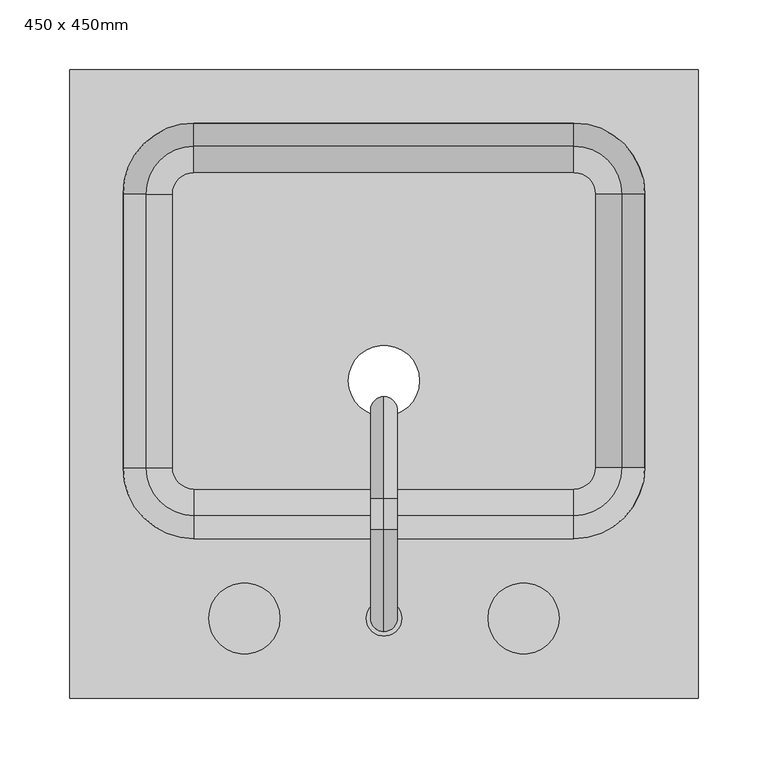
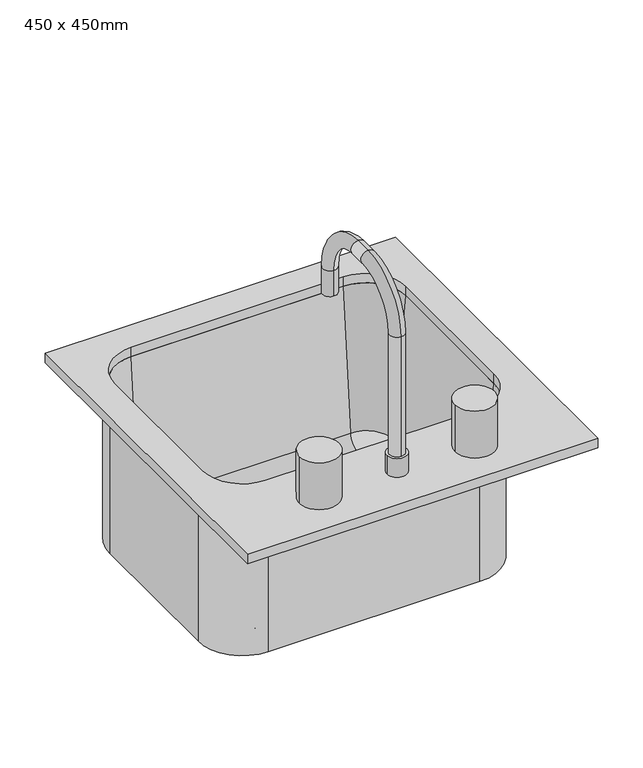
"""IFC4 building model written with IfcOpenShell, lengths in millimetres: flow terminal geometry, 450 x 450mm."""

import ifcopenshell
import ifcopenshell.guid

model = None  # the IFC model being written
_history = None  # IfcOwnerHistory: only IFC2X3 demands one
_inside = {}  # id of a spatial element -> (the spatial element, [elements in it])
_under = {}  # id of a project, library or spatial element -> (it, [spatial elements below it])
_declared = {}  # id of a project -> (the project, [libraries it declares])
_typed = {}  # id of a type object -> (the type object, [elements of that type])
_made_of = {}  # id of a material, layer set ... -> (it, [elements and type objects made of it])


def new_model(schema):
    """Start an empty IFC model of exactly this schema.

    Asked for "IFC4X3", IfcOpenShell would pick the latest addendum, in which some entities
    have other attributes; the version numbers below select the first issue.
    IFC2X3 requires an IfcOwnerHistory on every rooted entity: one is made here for all.
    """
    global model, _history
    if schema == "IFC4X3":
        model = ifcopenshell.file(schema_version=(4, 3, 0, 0))
    else:
        model = ifcopenshell.file(schema=schema)
    _inside.clear()
    _under.clear()
    _declared.clear()
    _typed.clear()
    _made_of.clear()
    _history = None
    if model.schema == "IFC2X3":
        org = make("IfcOrganization", Name="unknown")
        user = make(
            "IfcPersonAndOrganization",
            ThePerson=make("IfcPerson", FamilyName="unknown"),
            TheOrganization=org,
        )
        app = make(
            "IfcApplication",
            ApplicationDeveloper=org,
            Version="unknown",
            ApplicationFullName="unknown",
            ApplicationIdentifier="unknown",
        )
        _history = make(
            "IfcOwnerHistory",
            OwningUser=user,
            OwningApplication=app,
            ChangeAction="ADDED",
            CreationDate=0,
        )
    return model


def make(cls, **values):
    """One entity of the class cls with the attributes given. An attribute that is None is left unset."""
    return model.create_entity(
        cls, **{name: value for name, value in values.items() if value is not None}
    )


def rooted(cls, **values):
    """An entity with a GlobalId (a new one), such as an element, a storey or a relation."""
    return make(cls, GlobalId=ifcopenshell.guid.new(), OwnerHistory=_history, **values)


def si_unit(unit_type, name, prefix=None):
    """IfcSIUnit, for example si_unit("LENGTHUNIT", "METRE", prefix="MILLI")."""
    return make("IfcSIUnit", UnitType=unit_type, Prefix=prefix, Name=name)


def assignment(units):
    """IfcUnitAssignment: the units of a project."""
    return None if units is None else make("IfcUnitAssignment", Units=units)


def point(xyz):
    """IfcCartesianPoint."""
    return None if xyz is None else make("IfcCartesianPoint", Coordinates=xyz)


def direction(xyz):
    """IfcDirection."""
    return None if xyz is None else make("IfcDirection", DirectionRatios=xyz)


def frame(location, z_axis=None, x_axis=None):
    """IfcAxis2Placement3D, a coordinate frame: its origin and axes. An axis left out is left unset."""
    return make(
        "IfcAxis2Placement3D",
        Location=point(location),
        Axis=direction(z_axis),
        RefDirection=direction(x_axis),
    )


def frame_2d(location, x_axis=None):
    """IfcAxis2Placement2D, a coordinate frame in the plane: its origin and x axis."""
    return make(
        "IfcAxis2Placement2D", Location=point(location), RefDirection=direction(x_axis)
    )


def origin():
    """The frame at (0, 0, 0) with its axes left unset."""
    return frame((0.0, 0.0, 0.0))


def place(relative_to, where):
    """IfcLocalPlacement: puts the frame where relative to a parent placement (None: the world)."""
    return make(
        "IfcLocalPlacement", PlacementRelTo=relative_to, RelativePlacement=where
    )


def context(
    kind, dimensions, precision=None, world=None, true_north=None, identifier=None
):
    """IfcGeometricRepresentationContext, for example the 3D "Model" context."""
    return make(
        "IfcGeometricRepresentationContext",
        ContextIdentifier=identifier,
        ContextType=kind,
        CoordinateSpaceDimension=dimensions,
        Precision=precision,
        WorldCoordinateSystem=world,
        TrueNorth=true_north,
    )


def project(units=None, contexts=None):
    """IfcProject with its units and contexts."""
    return rooted(
        "IfcProject",
        Name="project",
        RepresentationContexts=contexts,
        UnitsInContext=assignment(units),
    )


def spatial(cls, under=None, at=None, **own):
    """A site, building, storey or space (cls), placed at a placement, below another one or the project."""
    s = rooted(cls, ObjectPlacement=at, **own)
    if under is not None:
        _under.setdefault(under.id(), (under, []))[1].append(s)
    return s


def polyline(points):
    """IfcPolyline through the points."""
    return make("IfcPolyline", Points=[point(p) for p in points])


def circle_curve(where, radius):
    """IfcCircle in the frame where."""
    return make("IfcCircle", Position=where, Radius=radius)


def ellipse_curve(where, semi_axis1, semi_axis2):
    """IfcEllipse in the frame where."""
    return make(
        "IfcEllipse", Position=where, SemiAxis1=semi_axis1, SemiAxis2=semi_axis2
    )


def trimmed(basis, trim1, trim2, sense, master):
    """IfcTrimmedCurve: the piece of a basis curve between two trims."""
    return make(
        "IfcTrimmedCurve",
        BasisCurve=basis,
        Trim1=trim1,
        Trim2=trim2,
        SenseAgreement=sense,
        MasterRepresentation=master,
    )


def segment(curve, same_sense, transition):
    """IfcCompositeCurveSegment."""
    return make(
        "IfcCompositeCurveSegment",
        Transition=transition,
        SameSense=same_sense,
        ParentCurve=curve,
    )


def composite_curve(segments, self_intersect=None):
    """IfcCompositeCurve: segments joined end to end."""
    return make("IfcCompositeCurve", Segments=segments, SelfIntersect=self_intersect)


def outline(outer, holes=None, kind="AREA"):
    """IfcArbitraryClosedProfileDef: a profile drawn as a closed curve; with holes, ...WithVoids."""
    if holes is None:
        return make("IfcArbitraryClosedProfileDef", ProfileType=kind, OuterCurve=outer)
    return make(
        "IfcArbitraryProfileDefWithVoids",
        ProfileType=kind,
        OuterCurve=outer,
        InnerCurves=holes,
    )


def extrude(swept, where, along, depth):
    """IfcExtrudedAreaSolid: the profile swept, set in the frame where, extruded along a direction by depth."""
    return make(
        "IfcExtrudedAreaSolid",
        SweptArea=swept,
        Position=where,
        ExtrudedDirection=direction(along),
        Depth=depth,
    )


def shape(context_of_items, identifier, shape_type, items):
    """IfcShapeRepresentation: the items that make up one representation, for example the "Body"."""
    return make(
        "IfcShapeRepresentation",
        ContextOfItems=context_of_items,
        RepresentationIdentifier=identifier,
        RepresentationType=shape_type,
        Items=items,
    )


def source(mapping_origin, context_of_items, identifier, shape_type, items):
    """IfcRepresentationMap: a shape defined once, which mapped items show again and again."""
    return make(
        "IfcRepresentationMap",
        MappingOrigin=mapping_origin,
        MappedRepresentation=shape(context_of_items, identifier, shape_type, items),
    )


def transform(
    local_origin,
    x_axis=None,
    y_axis=None,
    z_axis=None,
    scale=None,
    scale2=None,
    scale3=None,
    uniform=True,
):
    """IfcCartesianTransformationOperator3D, or its non-uniform kind. x_axis, y_axis, z_axis: its Axis1, 2, 3."""
    if uniform:
        return make(
            "IfcCartesianTransformationOperator3D",
            Axis1=direction(x_axis),
            Axis2=direction(y_axis),
            LocalOrigin=point(local_origin),
            Scale=scale,
            Axis3=direction(z_axis),
        )
    return make(
        "IfcCartesianTransformationOperator3DnonUniform",
        Axis1=direction(x_axis),
        Axis2=direction(y_axis),
        LocalOrigin=point(local_origin),
        Scale=scale,
        Axis3=direction(z_axis),
        Scale2=scale2,
        Scale3=scale3,
    )


def mapped(mapping_source, mapping_target):
    """IfcMappedItem: shows the shape of a source again, moved by a transform."""
    return make(
        "IfcMappedItem", MappingSource=mapping_source, MappingTarget=mapping_target
    )


def made_of(thing, what):
    """Note that an element or type object is made of a material, layer set ...; save() writes the relation."""
    if what is not None:
        _made_of.setdefault(what.id(), (what, []))[1].append(thing)
    return thing


def element(
    cls,
    number,
    at=None,
    inside=None,
    cuts=None,
    type_object=None,
    material=None,
    context=None,
    identifier="Body",
    shape_type=None,
    held_by="IfcProductDefinitionShape",
    body=None,
    shapes=None,
    **own,
):
    """One element of the class cls, such as IfcWall. Its Tag is "e" and its number.

    at: its placement. inside: the storey or other place that contains it. cuts: it is an
    opening in that element (IfcRelVoidsElement). A single representation is given by context,
    identifier, shape_type and body (its items); several are given by shapes. held_by: the class
    of the entity that holds the representations. save() writes the other relations.
    """
    e = rooted(cls, Tag="e%d" % number, ObjectPlacement=at, **own)
    if body is not None:
        shapes = [shape(context, identifier, shape_type, body)]
    if shapes is not None:
        e.Representation = make(held_by, Representations=shapes)
    if inside is not None:
        _inside.setdefault(inside.id(), (inside, []))[1].append(e)
    if cuts is not None:
        rooted(
            "IfcRelVoidsElement", RelatingBuildingElement=cuts, RelatedOpeningElement=e
        )
    if type_object is not None:
        _typed.setdefault(type_object.id(), (type_object, []))[1].append(e)
    return made_of(e, material)


def aggregate(whole, parts):
    """IfcRelAggregates: a whole, such as a stair, and the parts it consists of."""
    return rooted("IfcRelAggregates", RelatingObject=whole, RelatedObjects=parts)


def save(model, path):
    """Write the relations noted so far, then the file.

    IfcRelAggregates (storeys below a building ...), IfcRelContainedInSpatialStructure (elements
    in a storey), IfcRelDefinesByType, IfcRelAssociatesMaterial and IfcRelDeclares: one each for
    every whole, place, type object, material and project.
    """
    for whole, parts in _under.values():
        aggregate(whole, parts)
    for where, things in _inside.values():
        rooted(
            "IfcRelContainedInSpatialStructure",
            RelatedElements=things,
            RelatingStructure=where,
        )
    for kind, things in _typed.values():
        rooted("IfcRelDefinesByType", RelatedObjects=things, RelatingType=kind)
    for what, things in _made_of.values():
        rooted("IfcRelAssociatesMaterial", RelatedObjects=things, RelatingMaterial=what)
    for by, libraries in _declared.values():
        rooted("IfcRelDeclares", RelatingContext=by, RelatedDefinitions=libraries)
    model.write(path)


def plane_surface(at):
    """IfcPlane: the flat surface through the origin of the frame at, square to its z axis."""
    return make("IfcPlane", Position=at)


def cylinder_surface(at, radius):
    """IfcCylindricalSurface: all points at the distance radius from the z axis of the frame at."""
    return make("IfcCylindricalSurface", Position=at, Radius=radius)


def revolved_surface(curve, axis_point, axis_direction):
    """IfcSurfaceOfRevolution: the curve turned about the line through axis_point along axis_direction."""
    return make(
        "IfcSurfaceOfRevolution",
        SweptCurve=make("IfcArbitraryOpenProfileDef", ProfileType="CURVE", Curve=curve),
        AxisPosition=make("IfcAxis1Placement", Location=point(axis_point), Axis=direction(axis_direction)),
    )


def advanced_brep(points, edges, surfaces, faces):
    """IfcAdvancedBrep: a solid bounded by faces that lie on surfaces and meet in shared edges.

    An edge is (start, end): straight between two places in points (the first is 0);
    or (start, end, curve); or (start, end, curve, False) where it runs against its curve.
    A face is (place in surfaces, loops), or (place, loops, False) where it looks against
    its surface's normal. A loop lists edges by number (the first is 1), with a minus sign
    where the edge is run from its end to its start. The first loop is the outer one.
    """
    corners = [point(p) for p in points]
    vertices = [make("IfcVertexPoint", VertexGeometry=c) for c in corners]
    made = []
    for start, end, *more in edges:
        made.append(
            make(
                "IfcEdgeCurve",
                EdgeStart=vertices[start],
                EdgeEnd=vertices[end],
                EdgeGeometry=more[0] if more else make("IfcPolyline", Points=[corners[start], corners[end]]),
                SameSense=more[1] if len(more) > 1 else True,
            )
        )
    hull = []
    for where, loops, *sense in faces:
        bounds = []
        for j, loop in enumerate(loops):
            ring = [make("IfcOrientedEdge", EdgeElement=made[abs(k) - 1], Orientation=k > 0) for k in loop]
            bounds.append(
                make(
                    "IfcFaceOuterBound" if j == 0 else "IfcFaceBound",
                    Bound=make("IfcEdgeLoop", EdgeList=ring),
                    Orientation=True,
                )
            )
        hull.append(make("IfcAdvancedFace", Bounds=bounds, FaceSurface=surfaces[where], SameSense=sense[0] if sense else True))
    return make("IfcAdvancedBrep", Outer=make("IfcClosedShell", CfsFaces=hull))


def flow_terminal_450_x_450mm_f6c2c534(model_context):
    return source(origin(), model_context, "Body", "SolidModel", [
        advanced_brep(
        [(208.9392406, -62.2454011, 684.1), (208.9392406, -62.2454011, 900.0), (151.7892406, -119.3954011, 900.0), (151.7892406, -119.3954011, 684.1), (-120.4107594, -119.3954011, 684.1), (-177.5607594, -62.2454011, 684.1), (-177.5607594, 133.7545989, 684.1), (-120.4107594, 190.9045989, 684.1), (151.7892406, 190.9045989, 684.1), (208.9392406, 133.7545989, 684.1), (-9.7107594, 0.0, 684.1), (41.0892406, 0.0, 684.1), (167.0776588, -62.2454011, 693.625), (167.0776588, 133.7545989, 693.625), (151.7892406, 149.0430171, 693.625), (-120.4107594, 149.0430171, 693.625), (-135.6991776, 133.7545989, 693.625), (-135.6991776, -62.2454011, 693.625), (-120.4107594, -77.5338193, 693.625), (151.7892406, -77.5338193, 693.625), (-9.7107594, 0.0, 693.625), (41.0892406, 0.0, 693.625), (151.7892406, -96.5113283, 711.0146831), (186.0551678, -62.2454011, 711.0146831), (151.7892406, -113.0454011, 900.0), (202.5892406, -62.2454011, 900.0), (208.9392406, 133.7545989, 900.0), (186.0551678, 133.7545989, 711.0146831), (202.5892406, 133.7545989, 900.0), (151.7892406, 190.9045989, 900.0), (151.7892406, 168.0205261, 711.0146831), (151.7892406, 184.5545989, 900.0), (-120.4107594, 190.9045989, 900.0), (-120.4107594, 168.0205261, 711.0146831), (-120.4107594, 184.5545989, 900.0), (-177.5607594, 133.7545989, 900.0), (-154.6766866, 133.7545989, 711.0146831), (-171.2107594, 133.7545989, 900.0), (-177.5607594, -62.2454011, 900.0), (-154.6766866, -62.2454011, 711.0146831), (-171.2107594, -62.2454011, 900.0), (-120.4107594, -119.3954011, 900.0), (-120.4107594, -96.5113283, 711.0146831), (-120.4107594, -113.0454011, 900.0)],
        [
            (0, 1),
            (1, 2, circle_curve(frame((151.7892406, -62.2454011, 900.0), z_axis=(0.0, 0.0, -1.0), x_axis=(0.0, -1.0, 0.0)), 57.15)),
            (2, 3),
            (3, 0, circle_curve(frame((151.7892406, -62.2454011, 684.1), z_axis=(0.0, 0.0, 1.0), x_axis=(0.0, -1.0, 0.0)), 57.15)),
            (3, 4),
            (4, 5, circle_curve(frame((-120.4107594, -62.2454011, 684.1), z_axis=(0.0, 0.0, -1.0), x_axis=(-1.0, 0.0, 0.0)), 57.15)),
            (5, 6),
            (6, 7, circle_curve(frame((-120.4107594, 133.7545989, 684.1), z_axis=(0.0, 0.0, -1.0), x_axis=(0.0, 1.0, 0.0)), 57.15)),
            (7, 8),
            (8, 9, circle_curve(frame((151.7892406, 133.7545989, 684.1), z_axis=(0.0, 0.0, -1.0), x_axis=(1.0, 0.0, 0.0)), 57.15)),
            (9, 0),
            (10, 11, circle_curve(frame((15.6892406, 0.0, 684.1), z_axis=(0.0, 0.0, 1.0), x_axis=(1.0, 0.0, 0.0)), 25.4)),
            (11, 10, circle_curve(frame((15.6892406, 0.0, 684.1), z_axis=(0.0, 0.0, 1.0), x_axis=(1.0, 0.0, 0.0)), 25.4)),
            (12, 13),
            (13, 14, circle_curve(frame((151.7892406, 133.7545989, 693.625), z_axis=(0.0, 0.0, 1.0), x_axis=(1.0, 0.0, 0.0)), 15.2884182)),
            (14, 15),
            (15, 16, circle_curve(frame((-120.4107594, 133.7545989, 693.625), z_axis=(0.0, 0.0, 1.0), x_axis=(0.0, 1.0, 0.0)), 15.2884182)),
            (16, 17),
            (17, 18, circle_curve(frame((-120.4107594, -62.2454011, 693.625), z_axis=(0.0, 0.0, 1.0), x_axis=(-1.0, 0.0, 0.0)), 15.2884182)),
            (18, 19),
            (19, 12, circle_curve(frame((151.7892406, -62.2454011, 693.625), z_axis=(0.0, 0.0, 1.0), x_axis=(0.0, -1.0, 0.0)), 15.2884182)),
            (20, 21, circle_curve(frame((15.6892406, 0.0, 693.625), z_axis=(0.0, 0.0, -1.0), x_axis=(1.0, 0.0, 0.0)), 25.4)),
            (21, 20, circle_curve(frame((15.6892406, 0.0, 693.625), z_axis=(0.0, 0.0, -1.0), x_axis=(1.0, 0.0, 0.0)), 25.4)),
            (19, 22, circle_curve(frame((151.7892406, -77.5338193, 712.675), z_axis=(-1.0, 0.0, 0.0), x_axis=(0.0, -1.0, 0.0)), 19.05)),
            (22, 23, circle_curve(frame((151.7892406, -62.2454011, 711.0146831), z_axis=(0.0, 0.0, 1.0), x_axis=(0.0, -1.0, 0.0)), 34.2659272)),
            (23, 12, circle_curve(frame((167.0776588, -62.2454011, 712.675), z_axis=(0.0, 1.0, 0.0), x_axis=(1.0, 0.0, 0.0)), 19.05)),
            (22, 24),
            (24, 25, circle_curve(frame((151.7892406, -62.2454011, 900.0), z_axis=(0.0, 0.0, 1.0), x_axis=(0.0, -1.0, 0.0)), 50.8)),
            (25, 23),
            (1, 25),
            (24, 2),
            (9, 26),
            (26, 1),
            (23, 27),
            (27, 13, circle_curve(frame((167.0776588, 133.7545989, 712.675), z_axis=(0.0, 1.0, 0.0), x_axis=(1.0, 0.0, 0.0)), 19.05)),
            (25, 28),
            (28, 27),
            (26, 28),
            (8, 29),
            (29, 26, circle_curve(frame((151.7892406, 133.7545989, 900.0), z_axis=(0.0, 0.0, -1.0), x_axis=(1.0, 0.0, 0.0)), 57.15)),
            (27, 30, circle_curve(frame((151.7892406, 133.7545989, 711.0146831), z_axis=(0.0, 0.0, 1.0), x_axis=(1.0, 0.0, 0.0)), 34.2659272)),
            (30, 14, circle_curve(frame((151.7892406, 149.0430171, 712.675), z_axis=(-1.0, 0.0, 0.0), x_axis=(0.0, 1.0, 0.0)), 19.05)),
            (28, 31, circle_curve(frame((151.7892406, 133.7545989, 900.0), z_axis=(0.0, 0.0, 1.0), x_axis=(1.0, 0.0, 0.0)), 50.8)),
            (31, 30),
            (29, 31),
            (7, 32),
            (32, 29),
            (30, 33),
            (33, 15, circle_curve(frame((-120.4107594, 149.0430171, 712.675), z_axis=(-1.0, 0.0, 0.0), x_axis=(0.0, 1.0, 0.0)), 19.05)),
            (31, 34),
            (34, 33),
            (32, 34),
            (6, 35),
            (35, 32, circle_curve(frame((-120.4107594, 133.7545989, 900.0), z_axis=(0.0, 0.0, -1.0), x_axis=(0.0, 1.0, 0.0)), 57.15)),
            (33, 36, circle_curve(frame((-120.4107594, 133.7545989, 711.0146831), z_axis=(0.0, 0.0, 1.0), x_axis=(0.0, 1.0, 0.0)), 34.2659272)),
            (36, 16, circle_curve(frame((-135.6991776, 133.7545989, 712.675), z_axis=(0.0, -1.0, 0.0), x_axis=(-1.0, 0.0, 0.0)), 19.05)),
            (34, 37, circle_curve(frame((-120.4107594, 133.7545989, 900.0), z_axis=(0.0, 0.0, 1.0), x_axis=(0.0, 1.0, 0.0)), 50.8)),
            (37, 36),
            (35, 37),
            (5, 38),
            (38, 35),
            (36, 39),
            (39, 17, circle_curve(frame((-135.6991776, -62.2454011, 712.675), z_axis=(0.0, -1.0, 0.0), x_axis=(-1.0, 0.0, 0.0)), 19.05)),
            (37, 40),
            (40, 39),
            (38, 40),
            (4, 41),
            (41, 38, circle_curve(frame((-120.4107594, -62.2454011, 900.0), z_axis=(0.0, 0.0, -1.0), x_axis=(-1.0, 0.0, 0.0)), 57.15)),
            (39, 42, circle_curve(frame((-120.4107594, -62.2454011, 711.0146831), z_axis=(0.0, 0.0, 1.0), x_axis=(-1.0, 0.0, 0.0)), 34.2659272)),
            (42, 18, circle_curve(frame((-120.4107594, -77.5338193, 712.675), z_axis=(1.0, 0.0, 0.0), x_axis=(0.0, -1.0, 0.0)), 19.05)),
            (40, 43, circle_curve(frame((-120.4107594, -62.2454011, 900.0), z_axis=(0.0, 0.0, 1.0), x_axis=(-1.0, 0.0, 0.0)), 50.8)),
            (43, 42),
            (41, 43),
            (2, 41),
            (42, 22),
            (43, 24),
            (21, 11),
            (10, 20),
        ],
        [
            cylinder_surface(frame((151.7892406, -62.2454011, 0.0), z_axis=(0.0, 0.0, -1.0), x_axis=(0.0, -1.0, 0.0)), 57.15),
            plane_surface(frame((151.7892406, -62.2454011, 684.1), z_axis=(0.0, 0.0, -1.0), x_axis=(0.0, -1.0, 0.0))),
            plane_surface(frame((151.7892406, -62.2454011, 693.625), z_axis=(0.0, 0.0, 1.0), x_axis=(0.0, -1.0, 0.0))),
            revolved_surface(trimmed(ellipse_curve(frame((151.7892406, -77.5338193, 712.675), z_axis=(-1.0, 0.0, 0.0), x_axis=(0.0, -1.0, 0.0)), 19.05, 19.05), [point((151.7892406, -77.5338193, 693.625))], [point((151.7892406, -96.5113283, 711.0146831))], True, "CARTESIAN"), (151.7892406, -62.2454011, 0.0), (0.0, 0.0, -1.0)),
            revolved_surface(polyline([(151.7892406, -96.5113283, 711.0146831), (151.7892406, -113.0454011, 900.0)]), (151.7892406, -62.2454011, 0.0), (0.0, 0.0, -1.0)),
            plane_surface(frame((151.7892406, -62.2454011, 900.0), z_axis=(0.0, 0.0, 1.0), x_axis=(0.0, -1.0, 0.0))),
            plane_surface(frame((208.9392406, -62.2454011, 900.0), z_axis=(1.0, 0.0, 0.0), x_axis=(0.0, 1.0, 0.0))),
            revolved_surface(polyline([(186.1276588, 133.7545989, 712.675), (186.1276588, -62.2454011, 712.675)]), (167.0776588, -62.2454011, 712.675), (0.0, 1.0, 0.0)),
            plane_surface(frame((186.0551678, -62.2454011, 711.0146831), z_axis=(-0.9961946980917444, 0.0, 0.0871557427476718), x_axis=(0.0, 1.0, 0.0))),
            plane_surface(frame((202.5892406, -62.2454011, 900.0), z_axis=(0.0, 0.0, 1.0), x_axis=(0.0, 1.0, 0.0))),
            cylinder_surface(frame((151.7892406, 133.7545989, 0.0), z_axis=(0.0, 0.0, -1.0), x_axis=(1.0, 0.0, 0.0)), 57.15),
            revolved_surface(trimmed(ellipse_curve(frame((167.0776588, 133.7545989, 712.675), z_axis=(0.0, -1.0, 0.0), x_axis=(1.0, 0.0, 0.0)), 19.05, 19.05), [point((167.0776588, 133.7545989, 693.625))], [point((186.0551678, 133.7545989, 711.0146831))], True, "CARTESIAN"), (151.7892406, 133.7545989, 0.0), (0.0, 0.0, -1.0)),
            revolved_surface(polyline([(186.0551678, 133.7545989, 711.0146831), (202.5892406, 133.7545989, 900.0)]), (151.7892406, 133.7545989, 0.0), (0.0, 0.0, -1.0)),
            plane_surface(frame((151.7892406, 133.7545989, 900.0), z_axis=(0.0, 0.0, 1.0), x_axis=(1.0, 0.0, 0.0))),
            plane_surface(frame((151.7892406, 190.9045989, 900.0), z_axis=(0.0, 1.0, 0.0), x_axis=(-1.0, 0.0, 0.0))),
            revolved_surface(polyline([(-120.41075939999999, 168.0930171, 712.675), (151.7892406, 168.0930171, 712.675)]), (151.7892406, 149.0430171, 712.675), (-1.0, 0.0, 0.0)),
            plane_surface(frame((151.7892406, 168.0205261, 711.0146831), z_axis=(0.0, -0.9961946980917444, 0.0871557427476718), x_axis=(-1.0, 0.0, 0.0))),
            plane_surface(frame((151.7892406, 184.5545989, 900.0), z_axis=(0.0, 0.0, 1.0), x_axis=(-1.0, 0.0, 0.0))),
            cylinder_surface(frame((-120.4107594, 133.7545989, 0.0), z_axis=(0.0, 0.0, -1.0), x_axis=(0.0, 1.0, 0.0)), 57.15),
            revolved_surface(trimmed(ellipse_curve(frame((-120.4107594, 149.0430171, 712.675), z_axis=(1.0, 0.0, 0.0), x_axis=(0.0, 1.0, 0.0)), 19.05, 19.05), [point((-120.4107594, 149.0430171, 693.625))], [point((-120.4107594, 168.0205261, 711.0146831))], True, "CARTESIAN"), (-120.4107594, 133.7545989, 0.0), (0.0, 0.0, -1.0)),
            revolved_surface(polyline([(-120.4107594, 168.0205261, 711.0146831), (-120.4107594, 184.5545989, 900.0)]), (-120.4107594, 133.7545989, 0.0), (0.0, 0.0, -1.0)),
            plane_surface(frame((-120.4107594, 133.7545989, 900.0), z_axis=(0.0, 0.0, 1.0), x_axis=(0.0, 1.0, 0.0))),
            plane_surface(frame((-177.5607594, 133.7545989, 900.0), z_axis=(-1.0, 0.0, 0.0), x_axis=(0.0, -1.0, 0.0))),
            revolved_surface(polyline([(-154.74917760000002, -62.24540110000001, 712.675), (-154.74917760000002, 133.7545989, 712.675)]), (-135.6991776, 133.7545989, 712.675), (0.0, -1.0, 0.0)),
            plane_surface(frame((-154.6766866, 133.7545989, 711.0146831), z_axis=(0.9961946980917444, 0.0, 0.0871557427476718), x_axis=(0.0, -1.0, 0.0))),
            plane_surface(frame((-171.2107594, 133.7545989, 900.0), z_axis=(0.0, 0.0, 1.0), x_axis=(0.0, -1.0, 0.0))),
            cylinder_surface(frame((-120.4107594, -62.2454011, 0.0), z_axis=(0.0, 0.0, -1.0), x_axis=(-1.0, 0.0, 0.0)), 57.15),
            revolved_surface(trimmed(ellipse_curve(frame((-135.6991776, -62.2454011, 712.675), z_axis=(0.0, 1.0, 0.0), x_axis=(-1.0, 0.0, 0.0)), 19.05, 19.05), [point((-135.6991776, -62.2454011, 693.625))], [point((-154.6766866, -62.2454011, 711.0146831))], True, "CARTESIAN"), (-120.4107594, -62.2454011, 0.0), (0.0, 0.0, -1.0)),
            revolved_surface(polyline([(-154.6766866, -62.2454011, 711.0146831), (-171.2107594, -62.2454011, 900.0)]), (-120.4107594, -62.2454011, 0.0), (0.0, 0.0, -1.0)),
            plane_surface(frame((-120.4107594, -62.2454011, 900.0), z_axis=(0.0, 0.0, 1.0), x_axis=(-1.0, 0.0, 0.0))),
            plane_surface(frame((-120.4107594, -119.3954011, 900.0), z_axis=(0.0, -1.0, 0.0), x_axis=(1.0, 0.0, 0.0))),
            revolved_surface(polyline([(151.78924059999997, -96.5838193, 712.675), (-120.4107594, -96.5838193, 712.675)]), (-120.4107594, -77.5338193, 712.675), (1.0, 0.0, 0.0)),
            plane_surface(frame((-120.4107594, -96.5113283, 711.0146831), z_axis=(0.0, 0.9961946980917444, 0.0871557427476718), x_axis=(1.0, 0.0, 0.0))),
            plane_surface(frame((-120.4107594, -113.0454011, 900.0), z_axis=(0.0, 0.0, 1.0), x_axis=(1.0, 0.0, 0.0))),
            revolved_surface(polyline([(41.0892406, 0.0, 684.1), (41.0892406, 0.0, 693.625)]), (15.6892406, 0.0, 0.0), (0.0, 0.0, -1.0)),
        ],
        [
            (0, [[1, 2, 3, 4]]),
            (1, [[5, 6, 7, 8, 9, 10, 11, -4], [12, 13]]),
            (2, [[14, 15, 16, 17, 18, 19, 20, 21], [22, 23]]),
            (3, [[24, 25, 26, -21]]),
            (4, [[27, 28, 29, -25]]),
            (5, [[30, -28, 31, -2]]),
            (6, [[-11, 32, 33, -1]]),
            (7, [[34, 35, -14, -26]]),
            (8, [[36, 37, -34, -29]]),
            (9, [[-33, 38, -36, -30]]),
            (10, [[-10, 39, 40, -32]]),
            (11, [[41, 42, -15, -35]]),
            (12, [[43, 44, -41, -37]]),
            (13, [[-40, 45, -43, -38]]),
            (14, [[-9, 46, 47, -39]]),
            (15, [[48, 49, -16, -42]]),
            (16, [[50, 51, -48, -44]]),
            (17, [[-47, 52, -50, -45]]),
            (18, [[-8, 53, 54, -46]]),
            (19, [[55, 56, -17, -49]]),
            (20, [[57, 58, -55, -51]]),
            (21, [[-54, 59, -57, -52]]),
            (22, [[-7, 60, 61, -53]]),
            (23, [[62, 63, -18, -56]]),
            (24, [[64, 65, -62, -58]]),
            (25, [[-61, 66, -64, -59]]),
            (26, [[-6, 67, 68, -60]]),
            (27, [[69, 70, -19, -63]]),
            (28, [[71, 72, -69, -65]]),
            (29, [[-68, 73, -71, -66]]),
            (30, [[74, -67, -5, -3]]),
            (31, [[-20, -70, 75, -24]]),
            (32, [[-75, -72, 76, -27]]),
            (33, [[-76, -73, -74, -31]]),
            (34, [[77, -12, 78, -23]]),
            (34, [[-78, -13, -77, -22]]),
        ],
    ),
        advanced_brep(
        [(2.9892406, -170.1954011, 912.7), (28.3892406, -170.1954011, 912.7), (15.6892406, -179.7204011, 1100.025), (15.6892406, -179.7204011, 938.1), (15.6892406, -160.6704011, 938.1), (15.6892406, -160.6704011, 1100.025), (15.6892406, -106.6954011, 1154.0), (15.6892406, -106.6954011, 1173.05), (15.6892406, -84.4704011, 1154.0), (15.6892406, -84.4704011, 1173.05), (15.6892406, -30.4954011, 1100.025), (15.6892406, -11.4454011, 1100.025), (15.6892406, -11.4454011, 1065.1), (15.6892406, -30.4954011, 1065.1), (2.9892406, -170.1954011, 938.1), (28.3892406, -170.1954011, 938.1)],
        [
            (0, 1, circle_curve(frame((15.6892406, -170.1954011, 912.7), z_axis=(0.0, 0.0, -1.0), x_axis=(1.0, 0.0, 0.0)), 12.7)),
            (1, 0, circle_curve(frame((15.6892406, -170.1954011, 912.7), z_axis=(0.0, 0.0, -1.0), x_axis=(1.0, 0.0, 0.0)), 12.7)),
            (2, 3),
            (3, 4, circle_curve(frame((15.6892406, -170.1954011, 938.1), z_axis=(0.0, 0.0, 1.0), x_axis=(0.0, 1.0, 0.0)), 9.525)),
            (4, 5),
            (5, 2, circle_curve(frame((15.6892406, -170.1954011, 1100.025), z_axis=(0.0, 0.0, -1.0), x_axis=(0.0, 1.0, 0.0)), 9.525)),
            (4, 3, circle_curve(frame((15.6892406, -170.1954011, 938.1), z_axis=(0.0, 0.0, 1.0), x_axis=(0.0, 1.0, 0.0)), 9.525)),
            (2, 5, circle_curve(frame((15.6892406, -170.1954011, 1100.025), z_axis=(0.0, 0.0, -1.0), x_axis=(0.0, 1.0, 0.0)), 9.525)),
            (5, 6, circle_curve(frame((15.6892406, -106.6954011, 1100.025), z_axis=(-1.0, 0.0, 0.0), x_axis=(0.0, -1.0, 0.0)), 53.975)),
            (6, 7, circle_curve(frame((15.6892406, -106.6954011, 1163.525), z_axis=(0.0, -1.0, 0.0), x_axis=(0.0, 0.0, -1.0)), 9.525)),
            (7, 2, circle_curve(frame((15.6892406, -106.6954011, 1100.025), z_axis=(1.0, 0.0, 0.0), x_axis=(0.0, -1.0, 0.0)), 73.025)),
            (7, 6, circle_curve(frame((15.6892406, -106.6954011, 1163.525), z_axis=(0.0, -1.0, 0.0), x_axis=(0.0, 0.0, -1.0)), 9.525)),
            (6, 8),
            (8, 9, circle_curve(frame((15.6892406, -84.4704011, 1163.525), z_axis=(0.0, -1.0, 0.0), x_axis=(0.0, 0.0, -1.0)), 9.525)),
            (9, 7),
            (9, 8, circle_curve(frame((15.6892406, -84.4704011, 1163.525), z_axis=(0.0, -1.0, 0.0), x_axis=(0.0, 0.0, -1.0)), 9.525)),
            (8, 10, circle_curve(frame((15.6892406, -84.4704011, 1100.025), z_axis=(-1.0, 0.0, 0.0), x_axis=(0.0, 0.0, 1.0)), 53.975)),
            (10, 11, circle_curve(frame((15.6892406, -20.9704011, 1100.025), z_axis=(0.0, 0.0, 1.0), x_axis=(0.0, -1.0, 0.0)), 9.525)),
            (11, 9, circle_curve(frame((15.6892406, -84.4704011, 1100.025), z_axis=(1.0, 0.0, 0.0), x_axis=(0.0, 0.0, 1.0)), 73.025)),
            (11, 10, circle_curve(frame((15.6892406, -20.9704011, 1100.025), z_axis=(0.0, 0.0, 1.0), x_axis=(0.0, -1.0, 0.0)), 9.525)),
            (12, 13, circle_curve(frame((15.6892406, -20.9704011, 1065.1), z_axis=(0.0, 0.0, -1.0), x_axis=(0.0, -1.0, 0.0)), 9.525)),
            (13, 12, circle_curve(frame((15.6892406, -20.9704011, 1065.1), z_axis=(0.0, 0.0, -1.0), x_axis=(0.0, -1.0, 0.0)), 9.525)),
            (10, 13),
            (12, 11),
            (14, 15, circle_curve(frame((15.6892406, -170.1954011, 938.1), z_axis=(0.0, 0.0, 1.0), x_axis=(1.0, 0.0, 0.0)), 12.7)),
            (15, 14, circle_curve(frame((15.6892406, -170.1954011, 938.1), z_axis=(0.0, 0.0, 1.0), x_axis=(1.0, 0.0, 0.0)), 12.7)),
            (15, 1),
            (0, 14),
        ],
        [
            plane_surface(frame((15.6892406, -160.6704011, 912.7), z_axis=(0.0, 0.0, -1.0), x_axis=(1.0, 0.0, 0.0))),
            cylinder_surface(frame((15.6892406, -170.1954011, 912.7), z_axis=(0.0, 0.0, -1.0), x_axis=(0.0, 1.0, 0.0)), 9.525),
            revolved_surface(trimmed(ellipse_curve(frame((15.6892406, -170.1954011, 1100.025), z_axis=(0.0, 0.0, 1.0), x_axis=(0.0, 1.0, 0.0)), 9.525, 9.525), [point((15.6892406, -179.7204011, 1100.025))], [point((15.6892406, -160.6704011, 1100.025))], True, "CARTESIAN"), (15.6892406, -106.6954011, 1100.025), (1.0, 0.0, 0.0)),
            revolved_surface(trimmed(ellipse_curve(frame((15.6892406, -170.1954011, 1100.025), z_axis=(0.0, 0.0, 1.0), x_axis=(0.0, 1.0, 0.0)), 9.525, 9.525), [point((15.6892406, -160.6704011, 1100.025))], [point((15.6892406, -179.7204011, 1100.025))], True, "CARTESIAN"), (15.6892406, -106.6954011, 1100.025), (1.0, 0.0, 0.0)),
            cylinder_surface(frame((15.6892406, -106.6954011, 1163.525), z_axis=(0.0, -1.0, 0.0), x_axis=(0.0, 0.0, -1.0)), 9.525),
            revolved_surface(trimmed(ellipse_curve(frame((15.6892406, -84.4704011, 1163.525), z_axis=(0.0, 1.0, 0.0), x_axis=(0.0, 0.0, -1.0)), 9.525, 9.525), [point((15.6892406, -84.4704011, 1173.05))], [point((15.6892406, -84.4704011, 1154.0))], True, "CARTESIAN"), (15.6892406, -84.4704011, 1100.025), (1.0, 0.0, 0.0)),
            revolved_surface(trimmed(ellipse_curve(frame((15.6892406, -84.4704011, 1163.525), z_axis=(0.0, 1.0, 0.0), x_axis=(0.0, 0.0, -1.0)), 9.525, 9.525), [point((15.6892406, -84.4704011, 1154.0))], [point((15.6892406, -84.4704011, 1173.05))], True, "CARTESIAN"), (15.6892406, -84.4704011, 1100.025), (1.0, 0.0, 0.0)),
            plane_surface(frame((15.6892406, -11.4454011, 1065.1), z_axis=(0.0, 0.0, -1.0), x_axis=(-1.0, 0.0, 0.0))),
            cylinder_surface(frame((15.6892406, -20.9704011, 1100.025), z_axis=(0.0, 0.0, 1.0), x_axis=(0.0, -1.0, 0.0)), 9.525),
            plane_surface(frame((28.3892406, -170.1954011, 938.1), z_axis=(0.0, 0.0, 1.0), x_axis=(0.0, -1.0, 0.0))),
            cylinder_surface(frame((15.6892406, -170.1954011, 912.7), z_axis=(0.0, 0.0, 1.0), x_axis=(1.0, 0.0, 0.0)), 12.7),
        ],
        [
            (0, [[1, 2]]),
            (1, [[3, 4, 5, 6]]),
            (1, [[-5, 7, -3, 8]]),
            (2, [[9, 10, 11, -6]]),
            (3, [[-11, 12, -9, -8]]),
            (4, [[13, 14, 15, -10]]),
            (4, [[-15, 16, -13, -12]]),
            (5, [[17, 18, 19, -14]]),
            (6, [[-19, 20, -17, -16]]),
            (7, [[21, 22]]),
            (8, [[23, -21, 24, -18]]),
            (8, [[-24, -22, -23, -20]]),
            (9, [[25, 26], [-7, -4]]),
            (10, [[27, -1, 28, -26]]),
            (10, [[-28, -2, -27, -25]]),
        ],
    ),
        extrude(outline(composite_curve([segment(trimmed(circle_curve(frame_2d((-84.3107594, -170.1954011)), 25.4), [point((-109.7107594, -170.1954011))], [point((-58.9107594, -170.1954011))], False, "CARTESIAN"), True, "CONTINUOUS"), segment(trimmed(circle_curve(frame_2d((-84.3107594, -170.1954011)), 25.4), [point((-58.9107594, -170.1954011))], [point((-109.7107594, -170.1954011))], False, "CARTESIAN"), True, "CONTINUOUS")], self_intersect=False)), frame((0.0, 0.0, 912.7), z_axis=(0.0, 0.0, 1.0), x_axis=(1.0, 0.0, 0.0)), (0.0, 0.0, 1.0), 63.5),
        extrude(outline(composite_curve([segment(trimmed(circle_curve(frame_2d((115.6892406, -170.1954011)), 25.4), [point((90.2892406, -170.1954011))], [point((141.0892406, -170.1954011))], False, "CARTESIAN"), True, "CONTINUOUS"), segment(trimmed(circle_curve(frame_2d((115.6892406, -170.1954011)), 25.4), [point((141.0892406, -170.1954011))], [point((90.2892406, -170.1954011))], False, "CARTESIAN"), True, "CONTINUOUS")], self_intersect=False)), frame((0.0, 0.0, 912.7), z_axis=(0.0, 0.0, 1.0), x_axis=(1.0, 0.0, 0.0)), (0.0, 0.0, 1.0), 63.5),
        extrude(outline(polyline([(240.6892406, -227.3454011), (-209.3107594, -227.3454011), (-209.3107594, 222.6545989), (240.6892406, 222.6545989), (240.6892406, -227.3454011)]), holes=[composite_curve([segment(trimmed(circle_curve(frame_2d((151.7892406, -62.2454011)), 50.8), [point((151.7892406, -113.0454011))], [point((202.5892406, -62.2454011))], True, "CARTESIAN"), True, "CONTINUOUS"), segment(polyline([(202.5892406, -62.2454011), (202.5892406, 133.7545989)]), True, "CONTINUOUS"), segment(trimmed(circle_curve(frame_2d((151.7892406, 133.7545989)), 50.8), [point((202.5892406, 133.7545989))], [point((151.7892406, 184.5545989))], True, "CARTESIAN"), True, "CONTINUOUS"), segment(polyline([(151.7892406, 184.5545989), (-120.4107594, 184.5545989)]), True, "CONTINUOUS"), segment(trimmed(circle_curve(frame_2d((-120.4107594, 133.7545989)), 50.8), [point((-120.4107594, 184.5545989))], [point((-171.2107594, 133.7545989))], True, "CARTESIAN"), True, "CONTINUOUS"), segment(polyline([(-171.2107594, 133.7545989), (-171.2107594, -62.2454011)]), True, "CONTINUOUS"), segment(trimmed(circle_curve(frame_2d((-120.4107594, -62.2454011)), 50.8), [point((-171.2107594, -62.2454011))], [point((-120.4107594, -113.0454011))], True, "CARTESIAN"), True, "CONTINUOUS"), segment(polyline([(-120.4107594, -113.0454011), (151.7892406, -113.0454011)]), True, "CONTINUOUS")], self_intersect=False)]), frame((0.0, 0.0, 900.0), z_axis=(0.0, 0.0, 1.0), x_axis=(1.0, 0.0, 0.0)), (0.0, 0.0, 1.0), 12.7),
    ])


if __name__ == "__main__":
    model = new_model("IFC4")
    model_context = context("Model", 3, world=origin())
    ifc_project = project(units=[si_unit("LENGTHUNIT", "METRE", prefix="MILLI")], contexts=[model_context])
    site = spatial("IfcSite", under=ifc_project)
    building = spatial("IfcBuilding", under=site)
    placement = place(None, origin())
    flow_terminal_450_x_450mm_shape = flow_terminal_450_x_450mm_f6c2c534(model_context)
    element("IfcFlowTerminal", 1, ObjectType="450 x 450mm", at=placement, inside=building, context=model_context, shape_type="MappedRepresentation", body=[
        mapped(flow_terminal_450_x_450mm_shape, transform((0.0, 0.0, 0.0), x_axis=(1.0, 0.0, 0.0), y_axis=(0.0, 1.0, 0.0), z_axis=(0.0, 0.0, 1.0))),
    ])
    save(model, "model.ifc")
